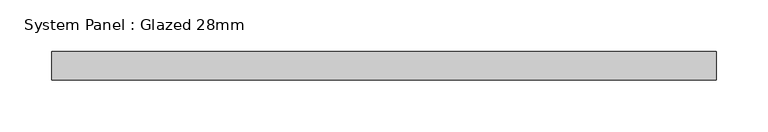
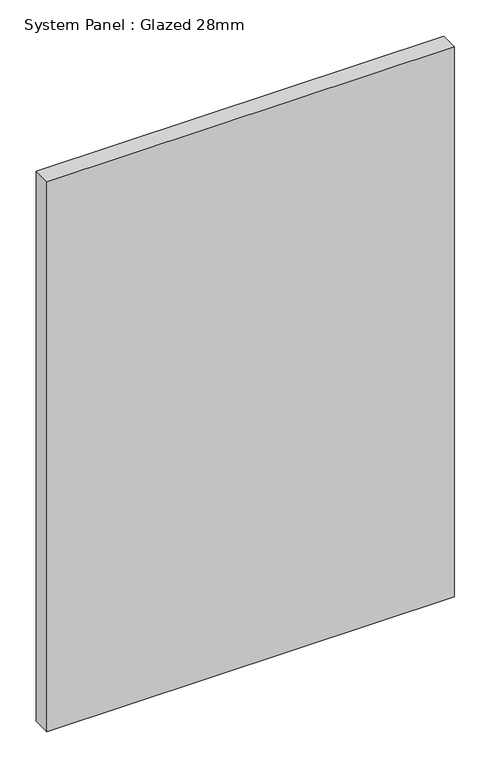
"""IFC4 building model written with IfcOpenShell, lengths in millimetres: plate geometry, System Panel : Glazed 28mm."""

from ifc_helpers import new_model, si_unit, origin, origin_with_axes, place, context, project, spatial, polyline, outline, extrude, source, transform, mapped, element, save


def system_panel_glazed_28mm_bde78297(model_context):
    return source(origin(), model_context, "Body", "SweptSolid", [
        extrude(outline(polyline([(322.5586443, -14.0), (-322.5586443, -14.0), (-322.5586443, 14.0), (322.5586443, 14.0), (322.5586443, -14.0)])), origin_with_axes(), (0.0, 0.0, 1.0), 920.6595328),
    ])


if __name__ == "__main__":
    model = new_model("IFC4")
    model_context = context("Model", 3, world=origin())
    ifc_project = project(units=[si_unit("LENGTHUNIT", "METRE", prefix="MILLI")], contexts=[model_context])
    site = spatial("IfcSite", under=ifc_project)
    building = spatial("IfcBuilding", under=site)
    placement = place(None, origin())
    system_panel_glazed_28mm_shape = system_panel_glazed_28mm_bde78297(model_context)
    element("IfcPlate", 1, ObjectType="System Panel : Glazed 28mm", at=placement, inside=building, context=model_context, shape_type="MappedRepresentation", body=[
        mapped(system_panel_glazed_28mm_shape, transform((0.0, 0.0, 0.0), x_axis=(1.0, 0.0, 0.0), y_axis=(0.0, 1.0, 0.0), z_axis=(0.0, 0.0, 1.0))),
    ])
    save(model, "model.ifc")
